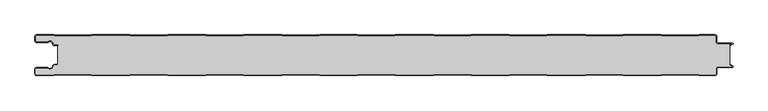
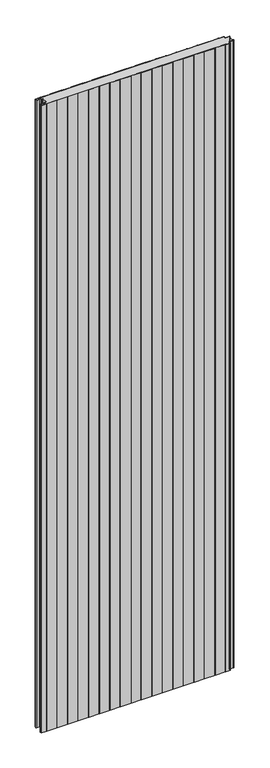
"""IFC4 building model written with IfcOpenShell, lengths in millimetres: plate geometry."""

from ifc_helpers import new_model, si_unit, point, frame_2d, origin, origin_with_axes, place, context, project, spatial, polyline, circle_curve, trimmed, segment, composite_curve, outline, extrude, source, transform, mapped, element, save


def plate_5119aacf(model_context):
    return source(origin(), model_context, "Body", "SweptSolid", [
        extrude(outline(composite_curve([segment(trimmed(circle_curve(frame_2d((-497.49499, -9.0180361)), 2.50501), [point((-497.49499, -11.5230461))], [point((-500.0, -9.0180361))], False, "CARTESIAN"), True, "CONTINUOUS"), segment(polyline([(-500.0, -9.0180361), (-500.0, -2.50501)]), True, "CONTINUOUS"), segment(trimmed(circle_curve(frame_2d((-497.49499, -2.50501)), 2.50501), [point((-500.0, -2.50501))], [point((-497.49499, 0.0))], False, "CARTESIAN"), True, "CONTINUOUS"), segment(polyline([(-497.49499, 0.0), (-472.2103007, 0.0), (-471.028188, -0.6012024), (-417.6391467, -0.6012024), (-416.457034, 0.0), (-360.8776353, 0.0), (-359.6955227, -0.6012024), (-306.3064814, -0.6012024), (-305.1243687, 0.0), (-249.54497, 0.0), (-248.3628573, -0.6012024), (-194.973816, -0.6012024), (-193.7917033, 0.0), (-138.2123047, 0.0), (-137.030192, -0.6012024), (-83.6411507, -0.6012024), (-82.459038, 0.0), (-26.8796393, 0.0), (-25.6975267, -0.6012024), (27.6915146, -0.6012024), (28.8736273, 0.0), (84.453026, 0.0), (85.6351387, -0.6012024), (139.02418, -0.6012024), (140.2062927, 0.0), (195.7856913, 0.0), (196.967804, -0.6012024), (250.3568453, -0.6012024), (251.538958, 0.0), (307.1183566, 0.0), (308.3004693, -0.6012024), (361.6895106, -0.6012024), (362.8716233, 0.0), (418.451022, 0.0), (419.6331347, -0.6012024), (473.022176, -0.6012024), (474.2042886, 0.0), (497.49499, 0.0)]), True, "CONTINUOUS"), segment(trimmed(circle_curve(frame_2d((497.49499, -2.50501)), 2.50501), [point((497.49499, 0.0))], [point((500.0, -2.50501))], False, "CARTESIAN"), True, "CONTINUOUS"), segment(polyline([(500.0, -2.50501), (500.0, -10.0200401)]), True, "CONTINUOUS"), segment(trimmed(circle_curve(frame_2d((502.004008, -10.0200401)), 2.004008), [point((500.0, -10.0200401))], [point((502.004008, -12.0240481))], True, "CARTESIAN"), True, "CONTINUOUS"), segment(polyline([(502.004008, -12.0240481), (523.0460922, -12.0240481)]), True, "CONTINUOUS"), segment(trimmed(circle_curve(frame_2d((523.0460922, -13.0260521)), 1.002004), [point((523.0460922, -12.0240481))], [point((523.5470942, -13.893813))], False, "CARTESIAN"), True, "CONTINUOUS"), segment(polyline([(523.5470942, -13.893813), (519.5390782, -16.2078422), (519.1390782, -15.5150218), (522.183956, -13.7570608)]), True, "CONTINUOUS"), segment(trimmed(circle_curve(frame_2d((521.933956, -13.3240481)), 0.5), [point((522.183956, -13.7570608))], [point((521.933956, -12.8240481))], True, "CARTESIAN"), True, "CONTINUOUS"), segment(polyline([(521.933956, -12.8240481), (502.004008, -12.8240481)]), True, "CONTINUOUS"), segment(trimmed(circle_curve(frame_2d((502.004008, -10.0200401)), 2.804008), [point((502.004008, -12.8240481))], [point((499.2, -10.0200401))], False, "CARTESIAN"), True, "CONTINUOUS"), segment(polyline([(499.2, -10.0200401), (499.2, -2.50501)]), True, "CONTINUOUS"), segment(trimmed(circle_curve(frame_2d((497.49499, -2.50501)), 1.70501), [point((499.2, -2.50501))], [point((497.49499, -0.8))], True, "CARTESIAN"), True, "CONTINUOUS"), segment(polyline([(497.49499, -0.8), (474.396035, -0.8), (473.2139223, -1.4012024), (419.4413883, -1.4012024), (418.2592756, -0.8), (363.0633697, -0.8), (361.881257, -1.4012024), (308.108723, -1.4012024), (306.9266103, -0.8), (251.7307044, -0.8), (250.5485917, -1.4012024), (196.7760576, -1.4012024), (195.5939449, -0.8), (140.398039, -0.8), (139.2159263, -1.4012024), (85.4433923, -1.4012024), (84.2612796, -0.8), (29.0653737, -0.8), (27.883261, -1.4012024), (-25.889273, -1.4012024), (-27.0713857, -0.8), (-82.2672916, -0.8), (-83.4494043, -1.4012024), (-137.2219384, -1.4012024), (-138.4040511, -0.8), (-193.599957, -0.8), (-194.7820696, -1.4012024), (-248.5546037, -1.4012024), (-249.7367164, -0.8), (-304.9326223, -0.8), (-306.114735, -1.4012024), (-359.887269, -1.4012024), (-361.0693817, -0.8), (-416.2652876, -0.8), (-417.4474003, -1.4012024), (-471.2199344, -1.4012024), (-472.4020471, -0.8), (-497.49499, -0.8)]), True, "CONTINUOUS"), segment(trimmed(circle_curve(frame_2d((-497.49499, -2.50501)), 1.70501), [point((-497.49499, -0.8))], [point((-499.2, -2.50501))], True, "CARTESIAN"), True, "CONTINUOUS"), segment(polyline([(-499.2, -2.50501), (-499.2, -9.0180361)]), True, "CONTINUOUS"), segment(trimmed(circle_curve(frame_2d((-497.49499, -9.0180361)), 1.70501), [point((-499.2, -9.0180361))], [point((-497.49499, -10.7230461))], True, "CARTESIAN"), True, "CONTINUOUS"), segment(polyline([(-497.49499, -10.7230461), (-481.8173283, -10.7230461)]), True, "CONTINUOUS"), segment(trimmed(circle_curve(frame_2d((-481.8173283, -9.0180361)), 1.70501), [point((-481.8173283, -10.7230461))], [point((-480.6895701, -10.2967936))], True, "CARTESIAN"), True, "CONTINUOUS"), segment(trimmed(circle_curve(frame_2d((-477.8407481, -13.5270541)), 4.307014), [point((-480.6895701, -10.2967936))], [point((-473.7934788, -12.0539686))], False, "CARTESIAN"), True, "CONTINUOUS"), segment(polyline([(-473.7934788, -12.0539686), (-473.0450711, -14.1102019)]), True, "CONTINUOUS"), segment(trimmed(circle_curve(frame_2d((-471.4428858, -13.5270541)), 1.70501), [point((-473.0450711, -14.1102019))], [point((-471.4428858, -15.2320641))], True, "CARTESIAN"), True, "CONTINUOUS"), segment(polyline([(-471.4428858, -15.2320641), (-466.4328657, -15.2320641), (-466.4328657, -16.0320641), (-471.4428858, -16.0320641)]), True, "CONTINUOUS"), segment(trimmed(circle_curve(frame_2d((-471.4428858, -13.5270541)), 2.50501), [point((-471.4428858, -16.0320641))], [point((-473.7968252, -14.383818))], False, "CARTESIAN"), True, "CONTINUOUS"), segment(polyline([(-473.7968252, -14.383818), (-474.5452329, -12.3275847)]), True, "CONTINUOUS"), segment(trimmed(circle_curve(frame_2d((-477.8407481, -13.5270541)), 3.507014), [point((-474.5452329, -12.3275847))], [point((-480.1604199, -10.8967936))], True, "CARTESIAN"), True, "CONTINUOUS"), segment(trimmed(circle_curve(frame_2d((-481.8173283, -9.0180361)), 2.50501), [point((-480.1604199, -10.8967936))], [point((-481.8173283, -11.5230461))], False, "CARTESIAN"), True, "CONTINUOUS"), segment(polyline([(-481.8173283, -11.5230461), (-497.49499, -11.5230461)]), True, "CONTINUOUS")], self_intersect=False)), origin_with_axes(), (0.0, 0.0, 1.0), 3500.0),
        extrude(outline(composite_curve([segment(trimmed(circle_curve(frame_2d((-471.4428858, -13.5270541)), 1.70501), [point((-471.4428858, -15.2320641))], [point((-473.0450711, -14.1102019))], False, "CARTESIAN"), True, "CONTINUOUS"), segment(polyline([(-473.0450711, -14.1102019), (-473.7934788, -12.0539686)]), True, "CONTINUOUS"), segment(trimmed(circle_curve(frame_2d((-477.8407481, -13.5270541)), 4.307014), [point((-473.7934788, -12.0539686))], [point((-480.6895701, -10.2967936))], True, "CARTESIAN"), True, "CONTINUOUS"), segment(trimmed(circle_curve(frame_2d((-481.8173283, -9.0180361)), 1.70501), [point((-480.6895701, -10.2967936))], [point((-481.8173283, -10.7230461))], False, "CARTESIAN"), True, "CONTINUOUS"), segment(polyline([(-481.8173283, -10.7230461), (-497.49499, -10.7230461)]), True, "CONTINUOUS"), segment(trimmed(circle_curve(frame_2d((-497.49499, -9.0180361)), 1.70501), [point((-497.49499, -10.7230461))], [point((-499.2, -9.0180361))], False, "CARTESIAN"), True, "CONTINUOUS"), segment(polyline([(-499.2, -9.0180361), (-499.2, -2.50501)]), True, "CONTINUOUS"), segment(trimmed(circle_curve(frame_2d((-497.49499, -2.50501)), 1.70501), [point((-499.2, -2.50501))], [point((-497.49499, -0.8))], False, "CARTESIAN"), True, "CONTINUOUS"), segment(polyline([(-497.49499, -0.8), (-472.4020471, -0.8), (-471.2199344, -1.4012024), (-417.4474003, -1.4012024), (-416.2652876, -0.8), (-361.0693817, -0.8), (-359.887269, -1.4012024), (-306.114735, -1.4012024), (-304.9326223, -0.8), (-249.7367164, -0.8), (-248.5546037, -1.4012024), (-194.7820696, -1.4012024), (-193.599957, -0.8), (-138.4040511, -0.8), (-137.2219384, -1.4012024), (-83.4494043, -1.4012024), (-82.2672916, -0.8), (-27.0713857, -0.8), (-25.889273, -1.4012024), (27.883261, -1.4012024), (29.0653737, -0.8), (84.2612796, -0.8), (85.4433923, -1.4012024), (139.2159263, -1.4012024), (140.398039, -0.8), (195.5939449, -0.8), (196.7760576, -1.4012024), (250.5485917, -1.4012024), (251.7307044, -0.8), (306.9266103, -0.8), (308.108723, -1.4012024), (361.881257, -1.4012024), (363.0633697, -0.8), (418.2592756, -0.8), (419.4413883, -1.4012024), (473.2139223, -1.4012024), (474.396035, -0.8), (497.49499, -0.8)]), True, "CONTINUOUS"), segment(trimmed(circle_curve(frame_2d((497.49499, -2.50501)), 1.70501), [point((497.49499, -0.8))], [point((499.2, -2.50501))], False, "CARTESIAN"), True, "CONTINUOUS"), segment(polyline([(499.2, -2.50501), (499.2, -10.0200401)]), True, "CONTINUOUS"), segment(trimmed(circle_curve(frame_2d((502.004008, -10.0200401)), 2.804008), [point((499.2, -10.0200401))], [point((502.004008, -12.8240481))], True, "CARTESIAN"), True, "CONTINUOUS"), segment(polyline([(502.004008, -12.8240481), (521.933956, -12.8240481)]), True, "CONTINUOUS"), segment(trimmed(circle_curve(frame_2d((521.933956, -13.3240481)), 0.5), [point((521.933956, -12.8240481))], [point((522.183956, -13.7570608))], False, "CARTESIAN"), True, "CONTINUOUS"), segment(polyline([(522.183956, -13.7570608), (519.1390782, -15.5150218), (519.1390782, -44.4849782), (522.183956, -46.2429392)]), True, "CONTINUOUS"), segment(trimmed(circle_curve(frame_2d((521.933956, -46.6759519)), 0.5), [point((522.183956, -46.2429392))], [point((521.933956, -47.1759519))], False, "CARTESIAN"), True, "CONTINUOUS"), segment(polyline([(521.933956, -47.1759519), (502.004008, -47.1759519)]), True, "CONTINUOUS"), segment(trimmed(circle_curve(frame_2d((502.004008, -49.9799599)), 2.804008), [point((502.004008, -47.1759519))], [point((499.2, -49.9799599))], True, "CARTESIAN"), True, "CONTINUOUS"), segment(polyline([(499.2, -49.9799599), (499.2, -57.49499)]), True, "CONTINUOUS"), segment(trimmed(circle_curve(frame_2d((497.49499, -57.49499)), 1.70501), [point((499.2, -57.49499))], [point((497.49499, -59.2))], False, "CARTESIAN"), True, "CONTINUOUS"), segment(polyline([(497.49499, -59.2), (474.396035, -59.2), (473.2139223, -58.5987976), (419.4413883, -58.5987976), (418.2592756, -59.2), (363.0633697, -59.2), (361.881257, -58.5987976), (308.108723, -58.5987976), (306.9266103, -59.2), (251.7307044, -59.2), (250.5485917, -58.5987976), (196.7760576, -58.5987976), (195.5939449, -59.2), (140.398039, -59.2), (139.2159263, -58.5987976), (85.4433923, -58.5987976), (84.2612796, -59.2), (29.0653737, -59.2), (27.883261, -58.5987976), (-25.889273, -58.5987976), (-27.0713857, -59.2), (-82.2672916, -59.2), (-83.4494043, -58.5987976), (-137.2219384, -58.5987976), (-138.4040511, -59.2), (-193.599957, -59.2), (-194.7820696, -58.5987976), (-248.5546037, -58.5987976), (-249.7367164, -59.2), (-304.9326223, -59.2), (-306.114735, -58.5987976), (-359.887269, -58.5987976), (-361.0693817, -59.2), (-416.2652876, -59.2), (-417.4474003, -58.5987976), (-471.2199344, -58.5987976), (-472.4020471, -59.2), (-497.49499, -59.2)]), True, "CONTINUOUS"), segment(trimmed(circle_curve(frame_2d((-497.49499, -57.49499)), 1.70501), [point((-497.49499, -59.2))], [point((-499.2, -57.49499))], False, "CARTESIAN"), True, "CONTINUOUS"), segment(polyline([(-499.2, -57.49499), (-499.2, -50.9819639)]), True, "CONTINUOUS"), segment(trimmed(circle_curve(frame_2d((-497.49499, -50.9819639)), 1.70501), [point((-499.2, -50.9819639))], [point((-497.49499, -49.2769539))], False, "CARTESIAN"), True, "CONTINUOUS"), segment(polyline([(-497.49499, -49.2769539), (-481.8173283, -49.2769539)]), True, "CONTINUOUS"), segment(trimmed(circle_curve(frame_2d((-481.8173283, -50.9819639)), 1.70501), [point((-481.8173283, -49.2769539))], [point((-480.6895701, -49.7032064))], False, "CARTESIAN"), True, "CONTINUOUS"), segment(trimmed(circle_curve(frame_2d((-477.8407481, -46.4729459)), 4.307014), [point((-480.6895701, -49.7032064))], [point((-473.7934788, -47.9460314))], True, "CARTESIAN"), True, "CONTINUOUS"), segment(polyline([(-473.7934788, -47.9460314), (-473.0450711, -45.8897981)]), True, "CONTINUOUS"), segment(trimmed(circle_curve(frame_2d((-471.4428858, -46.4729459)), 1.70501), [point((-473.0450711, -45.8897981))], [point((-471.4428858, -44.7679359))], False, "CARTESIAN"), True, "CONTINUOUS"), segment(polyline([(-471.4428858, -44.7679359), (-466.4328657, -44.7679359), (-466.4328657, -15.2320641), (-471.4428858, -15.2320641)]), True, "CONTINUOUS")], self_intersect=False)), origin_with_axes(), (0.0, 0.0, 1.0), 3500.0),
        extrude(outline(composite_curve([segment(polyline([(-497.49499, -48.4769539), (-481.8173283, -48.4769539)]), True, "CONTINUOUS"), segment(trimmed(circle_curve(frame_2d((-481.8173283, -50.9819639)), 2.50501), [point((-481.8173283, -48.4769539))], [point((-480.1604199, -49.1032064))], False, "CARTESIAN"), True, "CONTINUOUS"), segment(trimmed(circle_curve(frame_2d((-477.8407481, -46.4729459)), 3.507014), [point((-480.1604199, -49.1032064))], [point((-474.5452329, -47.6724153))], True, "CARTESIAN"), True, "CONTINUOUS"), segment(polyline([(-474.5452329, -47.6724153), (-473.7968252, -45.616182)]), True, "CONTINUOUS"), segment(trimmed(circle_curve(frame_2d((-471.4428858, -46.4729459)), 2.50501), [point((-473.7968252, -45.616182))], [point((-471.4428858, -43.9679359))], False, "CARTESIAN"), True, "CONTINUOUS"), segment(polyline([(-471.4428858, -43.9679359), (-466.4328657, -43.9679359), (-466.4328657, -44.7679359), (-471.4428858, -44.7679359)]), True, "CONTINUOUS"), segment(trimmed(circle_curve(frame_2d((-471.4428858, -46.4729459)), 1.70501), [point((-471.4428858, -44.7679359))], [point((-473.0450711, -45.8897981))], True, "CARTESIAN"), True, "CONTINUOUS"), segment(polyline([(-473.0450711, -45.8897981), (-473.7934788, -47.9460314)]), True, "CONTINUOUS"), segment(trimmed(circle_curve(frame_2d((-477.8407481, -46.4729459)), 4.307014), [point((-473.7934788, -47.9460314))], [point((-480.6895701, -49.7032064))], False, "CARTESIAN"), True, "CONTINUOUS"), segment(trimmed(circle_curve(frame_2d((-481.8173283, -50.9819639)), 1.70501), [point((-480.6895701, -49.7032064))], [point((-481.8173283, -49.2769539))], True, "CARTESIAN"), True, "CONTINUOUS"), segment(polyline([(-481.8173283, -49.2769539), (-497.49499, -49.2769539)]), True, "CONTINUOUS"), segment(trimmed(circle_curve(frame_2d((-497.49499, -50.9819639)), 1.70501), [point((-497.49499, -49.2769539))], [point((-499.2, -50.9819639))], True, "CARTESIAN"), True, "CONTINUOUS"), segment(polyline([(-499.2, -50.9819639), (-499.2, -57.49499)]), True, "CONTINUOUS"), segment(trimmed(circle_curve(frame_2d((-497.49499, -57.49499)), 1.70501), [point((-499.2, -57.49499))], [point((-497.49499, -59.2))], True, "CARTESIAN"), True, "CONTINUOUS"), segment(polyline([(-497.49499, -59.2), (-472.4020471, -59.2), (-471.2199344, -58.5987976), (-417.4474003, -58.5987976), (-416.2652876, -59.2), (-361.0693817, -59.2), (-359.887269, -58.5987976), (-306.114735, -58.5987976), (-304.9326223, -59.2), (-249.7367164, -59.2), (-248.5546037, -58.5987976), (-194.7820696, -58.5987976), (-193.599957, -59.2), (-138.4040511, -59.2), (-137.2219384, -58.5987976), (-83.4494043, -58.5987976), (-82.2672916, -59.2), (-27.0713857, -59.2), (-25.889273, -58.5987976), (27.883261, -58.5987976), (29.0653737, -59.2), (84.2612796, -59.2), (85.4433923, -58.5987976), (139.2159263, -58.5987976), (140.398039, -59.2), (195.5939449, -59.2), (196.7760576, -58.5987976), (250.5485917, -58.5987976), (251.7307044, -59.2), (306.9266103, -59.2), (308.108723, -58.5987976), (361.881257, -58.5987976), (363.0633697, -59.2), (418.2592756, -59.2), (419.4413883, -58.5987976), (473.2139223, -58.5987976), (474.396035, -59.2), (497.49499, -59.2)]), True, "CONTINUOUS"), segment(trimmed(circle_curve(frame_2d((497.49499, -57.49499)), 1.70501), [point((497.49499, -59.2))], [point((499.2, -57.49499))], True, "CARTESIAN"), True, "CONTINUOUS"), segment(polyline([(499.2, -57.49499), (499.2, -49.9799599)]), True, "CONTINUOUS"), segment(trimmed(circle_curve(frame_2d((502.004008, -49.9799599)), 2.804008), [point((499.2, -49.9799599))], [point((502.004008, -47.1759519))], False, "CARTESIAN"), True, "CONTINUOUS"), segment(polyline([(502.004008, -47.1759519), (521.933956, -47.1759519)]), True, "CONTINUOUS"), segment(trimmed(circle_curve(frame_2d((521.933956, -46.6759519)), 0.5), [point((521.933956, -47.1759519))], [point((522.183956, -46.2429392))], True, "CARTESIAN"), True, "CONTINUOUS"), segment(polyline([(522.183956, -46.2429392), (519.1390782, -44.4849782), (519.5390782, -43.7921578), (523.5470942, -46.106187)]), True, "CONTINUOUS"), segment(trimmed(circle_curve(frame_2d((523.0460922, -46.9739479)), 1.002004), [point((523.5470942, -46.106187))], [point((523.0460922, -47.9759519))], False, "CARTESIAN"), True, "CONTINUOUS"), segment(polyline([(523.0460922, -47.9759519), (502.004008, -47.9759519)]), True, "CONTINUOUS"), segment(trimmed(circle_curve(frame_2d((502.004008, -49.9799599)), 2.004008), [point((502.004008, -47.9759519))], [point((500.0, -49.9799599))], True, "CARTESIAN"), True, "CONTINUOUS"), segment(polyline([(500.0, -49.9799599), (500.0, -57.49499)]), True, "CONTINUOUS"), segment(trimmed(circle_curve(frame_2d((497.49499, -57.49499)), 2.50501), [point((500.0, -57.49499))], [point((497.49499, -60.0))], False, "CARTESIAN"), True, "CONTINUOUS"), segment(polyline([(497.49499, -60.0), (474.2042886, -60.0), (473.022176, -59.3987976), (419.6331347, -59.3987976), (418.451022, -60.0), (362.8716233, -60.0), (361.6895106, -59.3987976), (308.3004693, -59.3987976), (307.1183566, -60.0), (251.538958, -60.0), (250.3568453, -59.3987976), (196.967804, -59.3987976), (195.7856913, -60.0), (140.2062927, -60.0), (139.02418, -59.3987976), (85.6351387, -59.3987976), (84.453026, -60.0), (28.8736273, -60.0), (27.6915146, -59.3987976), (-25.6975267, -59.3987976), (-26.8796393, -60.0), (-82.459038, -60.0), (-83.6411507, -59.3987976), (-137.030192, -59.3987976), (-138.2123047, -60.0), (-193.7917033, -60.0), (-194.973816, -59.3987976), (-248.3628573, -59.3987976), (-249.54497, -60.0), (-305.1243687, -60.0), (-306.3064814, -59.3987976), (-359.6955227, -59.3987976), (-360.8776353, -60.0), (-416.457034, -60.0), (-417.6391467, -59.3987976), (-471.028188, -59.3987976), (-472.2103007, -60.0), (-497.49499, -60.0)]), True, "CONTINUOUS"), segment(trimmed(circle_curve(frame_2d((-497.49499, -57.49499)), 2.50501), [point((-497.49499, -60.0))], [point((-500.0, -57.49499))], False, "CARTESIAN"), True, "CONTINUOUS"), segment(polyline([(-500.0, -57.49499), (-500.0, -50.9819639)]), True, "CONTINUOUS"), segment(trimmed(circle_curve(frame_2d((-497.49499, -50.9819639)), 2.50501), [point((-500.0, -50.9819639))], [point((-497.49499, -48.4769539))], False, "CARTESIAN"), True, "CONTINUOUS")], self_intersect=False)), origin_with_axes(), (0.0, 0.0, 1.0), 3500.0),
    ])


if __name__ == "__main__":
    model = new_model("IFC4")
    model_context = context("Model", 3, world=origin())
    ifc_project = project(units=[si_unit("LENGTHUNIT", "METRE", prefix="MILLI")], contexts=[model_context])
    site = spatial("IfcSite", under=ifc_project)
    building = spatial("IfcBuilding", under=site)
    placement = place(None, origin())
    plate_shape = plate_5119aacf(model_context)
    element("IfcPlate", 1, at=placement, inside=building, context=model_context, shape_type="MappedRepresentation", body=[
        mapped(plate_shape, transform((0.0, 0.0, 0.0), x_axis=(1.0, 0.0, 0.0), y_axis=(0.0, 1.0, 0.0), z_axis=(0.0, 0.0, 1.0))),
    ])
    save(model, "model.ifc")
